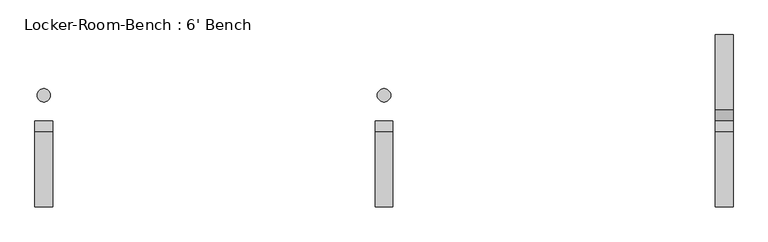
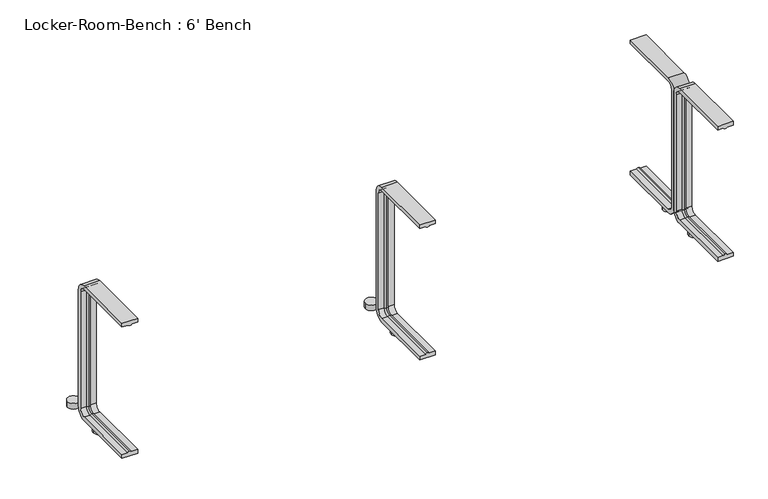
"""IFC4 building model written with IfcOpenShell, lengths in millimetres: proxy geometry, Locker-Room-Bench : 6' Bench."""

from ifc_helpers import new_model, si_unit, point, frame, frame_2d, origin, origin_with_axes, place, context, project, spatial, polyline, circle_curve, ellipse_curve, trimmed, segment, composite_curve, outline, extrude, source, transform, mapped, element, save
from ifc_brep_helpers import plane_surface, cylinder_surface, revolved_surface, advanced_brep


def locker_room_bench_6_bench_313e09f8(model_context):
    return source(origin(), model_context, "Body", "SolidModel", [
        extrude(outline(composite_curve([segment(trimmed(circle_curve(frame_2d((764.4, 57.5)), 15.0), [point((749.4, 57.5))], [point((779.4, 57.5))], False, "CARTESIAN"), True, "CONTINUOUS"), segment(trimmed(circle_curve(frame_2d((764.4, 57.5)), 15.0), [point((779.4, 57.5))], [point((749.4, 57.5))], False, "CARTESIAN"), True, "CONTINUOUS")], self_intersect=False)), origin_with_axes(), (0.0, 0.0, 1.0), 15.0),
        extrude(outline(composite_curve([segment(trimmed(circle_curve(frame_2d((764.4, -57.5)), 15.0), [point((749.4, -57.5))], [point((779.4, -57.5))], False, "CARTESIAN"), True, "CONTINUOUS"), segment(trimmed(circle_curve(frame_2d((764.4, -57.5)), 15.0), [point((779.4, -57.5))], [point((749.4, -57.5))], False, "CARTESIAN"), True, "CONTINUOUS")], self_intersect=False)), origin_with_axes(), (0.0, 0.0, 1.0), 15.0),
        extrude(outline(composite_curve([segment(trimmed(circle_curve(frame_2d((0.0, 57.5)), 15.0), [point((-15.0, 57.5))], [point((15.0, 57.5))], False, "CARTESIAN"), True, "CONTINUOUS"), segment(trimmed(circle_curve(frame_2d((0.0, 57.5)), 15.0), [point((15.0, 57.5))], [point((-15.0, 57.5))], False, "CARTESIAN"), True, "CONTINUOUS")], self_intersect=False)), origin_with_axes(), (0.0, 0.0, 1.0), 15.0),
        extrude(outline(composite_curve([segment(trimmed(circle_curve(frame_2d((0.0, -57.5)), 15.0), [point((-15.0, -57.5))], [point((15.0, -57.5))], False, "CARTESIAN"), True, "CONTINUOUS"), segment(trimmed(circle_curve(frame_2d((0.0, -57.5)), 15.0), [point((15.0, -57.5))], [point((-15.0, -57.5))], False, "CARTESIAN"), True, "CONTINUOUS")], self_intersect=False)), origin_with_axes(), (0.0, 0.0, 1.0), 15.0),
        extrude(outline(composite_curve([segment(trimmed(circle_curve(frame_2d((-764.4, 57.5)), 15.0), [point((-779.4, 57.5))], [point((-749.4, 57.5))], False, "CARTESIAN"), True, "CONTINUOUS"), segment(trimmed(circle_curve(frame_2d((-764.4, 57.5)), 15.0), [point((-749.4, 57.5))], [point((-779.4, 57.5))], False, "CARTESIAN"), True, "CONTINUOUS")], self_intersect=False)), origin_with_axes(), (0.0, 0.0, 1.0), 15.0),
        extrude(outline(composite_curve([segment(trimmed(circle_curve(frame_2d((-764.4, -57.5)), 15.0), [point((-779.4, -57.5))], [point((-749.4, -57.5))], False, "CARTESIAN"), True, "CONTINUOUS"), segment(trimmed(circle_curve(frame_2d((-764.4, -57.5)), 15.0), [point((-749.4, -57.5))], [point((-779.4, -57.5))], False, "CARTESIAN"), True, "CONTINUOUS")], self_intersect=False)), origin_with_axes(), (0.0, 0.0, 1.0), 15.0),
        advanced_brep(
        [(784.4, -193.6, 381.4), (744.4, -193.6, 381.4), (744.4, -193.6, 371.4), (759.4, -193.6, 371.4), (764.4, -193.6, 369.0684617), (769.4, -193.6, 371.4), (784.4, -193.6, 371.4), (784.4, -25.0, 371.4), (784.4, -10.0, 356.4), (784.4, -10.0, 40.0), (784.4, -25.0, 25.0), (784.4, -193.6, 25.0), (784.4, -193.6, 15.0), (784.4, -25.0, 15.0), (784.4, 0.0, 40.0), (784.4, 0.0, 356.4), (784.4, -25.0, 381.4), (769.4, -25.0, 371.4), (764.4, -25.0, 369.0684617), (759.4, -25.0, 371.4), (744.4, -25.0, 371.4), (744.4, -25.0, 381.4), (744.4, 0.0, 356.4), (744.4, 0.0, 40.0), (744.4, -25.0, 15.0), (744.4, -193.6, 15.0), (744.4, -193.6, 25.0), (744.4, -25.0, 25.0), (744.4, -10.0, 40.0), (744.4, -10.0, 356.4), (769.4, -10.0, 356.4), (764.4, -12.3315383, 356.4), (759.4, -10.0, 356.4), (769.4, -10.0, 40.0), (764.4, -12.3315383, 40.0), (759.4, -10.0, 40.0), (769.4, -25.0, 25.0), (764.4, -25.0, 27.3315383), (759.4, -25.0, 25.0), (769.4, -193.6, 25.0), (764.4, -193.6, 27.3315383), (759.4, -193.6, 25.0)],
        [
            (0, 1),
            (1, 2),
            (2, 3),
            (3, 4, circle_curve(frame((764.1003591, -193.6, 374.9529162), z_axis=(0.0, -1.0, 0.0), x_axis=(0.0, 0.0, -1.0)), 5.8920785)),
            (4, 5, circle_curve(frame((764.6996409, -193.6, 374.9529162), z_axis=(0.0, -1.0, 0.0), x_axis=(0.0, 0.0, -1.0)), 5.8920785)),
            (5, 6),
            (6, 0),
            (6, 7),
            (7, 8, circle_curve(frame((784.4, -25.0, 356.4), z_axis=(-1.0, 0.0, 0.0), x_axis=(0.0, 0.0, 1.0)), 15.0)),
            (8, 9),
            (9, 10, circle_curve(frame((784.4, -25.0, 40.0), z_axis=(-1.0, 0.0, 0.0), x_axis=(0.0, 1.0, 0.0)), 15.0)),
            (10, 11),
            (11, 12),
            (12, 13),
            (13, 14, circle_curve(frame((784.4, -25.0, 40.0), z_axis=(1.0, 0.0, 0.0), x_axis=(0.0, 1.0, 0.0)), 25.0)),
            (14, 15),
            (15, 16, circle_curve(frame((784.4, -25.0, 356.4), z_axis=(1.0, 0.0, 0.0), x_axis=(0.0, 0.0, 1.0)), 25.0)),
            (16, 0),
            (5, 17),
            (17, 7),
            (4, 18),
            (18, 17, circle_curve(frame((764.6996409, -25.0, 374.9529162), z_axis=(0.0, -1.0, 0.0), x_axis=(0.0, 0.0, -1.0)), 5.8920785)),
            (3, 19),
            (19, 18, circle_curve(frame((764.1003591, -25.0, 374.9529162), z_axis=(0.0, -1.0, 0.0), x_axis=(0.0, 0.0, -1.0)), 5.8920785)),
            (2, 20),
            (20, 19),
            (1, 21),
            (21, 22, circle_curve(frame((744.4, -25.0, 356.4), z_axis=(-1.0, 0.0, 0.0), x_axis=(0.0, 0.0, 1.0)), 25.0)),
            (22, 23),
            (23, 24, circle_curve(frame((744.4, -25.0, 40.0), z_axis=(-1.0, 0.0, 0.0), x_axis=(0.0, 1.0, 0.0)), 25.0)),
            (24, 25),
            (25, 26),
            (26, 27),
            (27, 28, circle_curve(frame((744.4, -25.0, 40.0), z_axis=(1.0, 0.0, 0.0), x_axis=(0.0, 1.0, 0.0)), 15.0)),
            (28, 29),
            (29, 20, circle_curve(frame((744.4, -25.0, 356.4), z_axis=(1.0, 0.0, 0.0), x_axis=(0.0, 0.0, 1.0)), 15.0)),
            (16, 21),
            (30, 8),
            (17, 30, circle_curve(frame((769.4, -25.0, 356.4), z_axis=(-1.0, 0.0, 0.0), x_axis=(0.0, 0.0, 1.0)), 15.0)),
            (31, 30, circle_curve(frame((764.6996409, -6.4470838, 356.4), z_axis=(0.0, 0.0, 1.0), x_axis=(0.0, -1.0, 0.0)), 5.8920785)),
            (18, 31, circle_curve(frame((764.4, -25.0, 356.4), z_axis=(-1.0, 0.0, 0.0), x_axis=(0.0, 0.0, 1.0)), 12.6684617)),
            (32, 31, circle_curve(frame((764.1003591, -6.4470838, 356.4), z_axis=(0.0, 0.0, 1.0), x_axis=(0.0, -1.0, 0.0)), 5.8920785)),
            (19, 32, circle_curve(frame((759.4, -25.0, 356.4), z_axis=(-1.0, 0.0, 0.0), x_axis=(0.0, 0.0, 1.0)), 15.0)),
            (29, 32),
            (15, 22),
            (30, 33),
            (33, 9),
            (31, 34),
            (34, 33, circle_curve(frame((764.6996409, -6.4470838, 40.0), z_axis=(0.0, 0.0, 1.0), x_axis=(0.0, -1.0, 0.0)), 5.8920785)),
            (32, 35),
            (35, 34, circle_curve(frame((764.1003591, -6.4470838, 40.0), z_axis=(0.0, 0.0, 1.0), x_axis=(0.0, -1.0, 0.0)), 5.8920785)),
            (28, 35),
            (14, 23),
            (36, 10),
            (33, 36, circle_curve(frame((769.4, -25.0, 40.0), z_axis=(-1.0, 0.0, 0.0), x_axis=(0.0, 1.0, 0.0)), 15.0)),
            (37, 36, circle_curve(frame((764.6996409, -25.0, 21.4470838), z_axis=(0.0, 1.0, 0.0), x_axis=(0.0, 0.0, 1.0)), 5.8920785)),
            (34, 37, circle_curve(frame((764.4, -25.0, 40.0), z_axis=(-1.0, 0.0, 0.0), x_axis=(0.0, 1.0, 0.0)), 12.6684617)),
            (38, 37, circle_curve(frame((764.1003591, -25.0, 21.4470838), z_axis=(0.0, 1.0, 0.0), x_axis=(0.0, 0.0, 1.0)), 5.8920785)),
            (35, 38, circle_curve(frame((759.4, -25.0, 40.0), z_axis=(-1.0, 0.0, 0.0), x_axis=(0.0, 1.0, 0.0)), 15.0)),
            (27, 38),
            (13, 24),
            (11, 39),
            (39, 40, circle_curve(frame((764.6996409, -193.6, 21.4470838), z_axis=(0.0, -1.0, 0.0), x_axis=(0.0, 0.0, 1.0)), 5.8920785)),
            (40, 41, circle_curve(frame((764.1003591, -193.6, 21.4470838), z_axis=(0.0, -1.0, 0.0), x_axis=(0.0, 0.0, 1.0)), 5.8920785)),
            (41, 26),
            (25, 12),
            (36, 39),
            (37, 40),
            (38, 41),
        ],
        [
            plane_surface(frame((764.4, -193.6, 381.4), z_axis=(0.0, -1.0, 0.0), x_axis=(1.0, 0.0, 0.0))),
            plane_surface(frame((784.4, -193.6, 381.4), z_axis=(1.0, 0.0, 0.0), x_axis=(0.0, 1.0, 0.0))),
            plane_surface(frame((784.4, -193.6, 371.4), z_axis=(0.0, 0.0, -1.0), x_axis=(0.0, 1.0, 0.0))),
            cylinder_surface(frame((764.6996409, -193.6, 374.9529162), z_axis=(0.0, -1.0, 0.0), x_axis=(0.0, 0.0, -1.0)), 5.8920785),
            cylinder_surface(frame((764.1003591, -193.6, 374.9529162), z_axis=(0.0, -1.0, 0.0), x_axis=(0.0, 0.0, -1.0)), 5.8920785),
            plane_surface(frame((759.4, -193.6, 371.4), z_axis=(0.0, 0.0, -1.0), x_axis=(0.0, 1.0, 0.0))),
            plane_surface(frame((744.4, -193.6, 371.4), z_axis=(-1.0, 0.0, 0.0), x_axis=(0.0, 1.0, 0.0))),
            plane_surface(frame((744.4, -193.6, 381.4), z_axis=(0.0, 0.0, 1.0), x_axis=(0.0, 1.0, 0.0))),
            revolved_surface(polyline([(784.4, -25.0, 371.4), (769.4, -25.0, 371.4)]), (764.4, -25.0, 356.4), (1.0, 0.0, 0.0)),
            revolved_surface(trimmed(ellipse_curve(frame((764.6996409, -25.0, 374.9529162), z_axis=(0.0, 1.0, 0.0), x_axis=(0.0, 0.0, -1.0)), 5.8920785, 5.8920785), [point((769.4, -25.0, 371.4))], [point((764.4, -25.0, 369.0684617))], True, "CARTESIAN"), (764.4, -25.0, 356.4), (1.0, 0.0, 0.0)),
            revolved_surface(trimmed(ellipse_curve(frame((764.1003591, -25.0, 374.9529162), z_axis=(0.0, 1.0, 0.0), x_axis=(0.0, 0.0, -1.0)), 5.8920785, 5.8920785), [point((764.4, -25.0, 369.0684617))], [point((759.4, -25.0, 371.4))], True, "CARTESIAN"), (764.4, -25.0, 356.4), (1.0, 0.0, 0.0)),
            revolved_surface(polyline([(759.4, -25.0, 371.4), (744.4, -25.0, 371.4)]), (764.4, -25.0, 356.4), (1.0, 0.0, 0.0)),
            cylinder_surface(frame((764.4, -25.0, 356.4), z_axis=(1.0, 0.0, 0.0), x_axis=(0.0, 0.0, 1.0)), 25.0),
            plane_surface(frame((784.4, -10.0, 356.4), z_axis=(0.0, -1.0, 0.0), x_axis=(0.0, 0.0, -1.0))),
            cylinder_surface(frame((764.6996409, -6.4470838, 356.4), z_axis=(0.0, 0.0, 1.0), x_axis=(0.0, -1.0, 0.0)), 5.8920785),
            cylinder_surface(frame((764.1003591, -6.4470838, 356.4), z_axis=(0.0, 0.0, 1.0), x_axis=(0.0, -1.0, 0.0)), 5.8920785),
            plane_surface(frame((759.4, -10.0, 356.4), z_axis=(0.0, -1.0, 0.0), x_axis=(0.0, 0.0, -1.0))),
            plane_surface(frame((744.4, 0.0, 356.4), z_axis=(0.0, 1.0, 0.0), x_axis=(0.0, 0.0, -1.0))),
            revolved_surface(polyline([(784.4, -10.0, 40.0), (769.4, -10.0, 40.0)]), (764.4, -25.0, 40.0), (1.0, 0.0, 0.0)),
            revolved_surface(trimmed(ellipse_curve(frame((764.6996409, -6.4470838, 40.0), z_axis=(0.0, 0.0, -1.0), x_axis=(0.0, -1.0, 0.0)), 5.8920785, 5.8920785), [point((769.4, -10.0, 40.0))], [point((764.4, -12.3315383, 40.0))], True, "CARTESIAN"), (764.4, -25.0, 40.0), (1.0, 0.0, 0.0)),
            revolved_surface(trimmed(ellipse_curve(frame((764.1003591, -6.4470838, 40.0), z_axis=(0.0, 0.0, -1.0), x_axis=(0.0, -1.0, 0.0)), 5.8920785, 5.8920785), [point((764.4, -12.3315383, 40.0))], [point((759.4, -10.0, 40.0))], True, "CARTESIAN"), (764.4, -25.0, 40.0), (1.0, 0.0, 0.0)),
            revolved_surface(polyline([(759.4, -10.0, 40.0), (744.4, -10.0, 40.0)]), (764.4, -25.0, 40.0), (1.0, 0.0, 0.0)),
            cylinder_surface(frame((764.4, -25.0, 40.0), z_axis=(1.0, 0.0, 0.0), x_axis=(0.0, 1.0, 0.0)), 25.0),
            plane_surface(frame((764.4, -193.6, 15.0), z_axis=(0.0, -1.0, 0.0), x_axis=(1.0, 0.0, 0.0))),
            plane_surface(frame((784.4, -25.0, 25.0), z_axis=(0.0, 0.0, 1.0), x_axis=(0.0, -1.0, 0.0))),
            cylinder_surface(frame((764.6996409, -25.0, 21.4470838), z_axis=(0.0, 1.0, 0.0), x_axis=(0.0, 0.0, 1.0)), 5.8920785),
            cylinder_surface(frame((764.1003591, -25.0, 21.4470838), z_axis=(0.0, 1.0, 0.0), x_axis=(0.0, 0.0, 1.0)), 5.8920785),
            plane_surface(frame((759.4, -25.0, 25.0), z_axis=(0.0, 0.0, 1.0), x_axis=(0.0, -1.0, 0.0))),
            plane_surface(frame((744.4, -25.0, 15.0), z_axis=(0.0, 0.0, -1.0), x_axis=(0.0, -1.0, 0.0))),
        ],
        [
            (0, [[1, 2, 3, 4, 5, 6, 7]]),
            (1, [[8, 9, 10, 11, 12, 13, 14, 15, 16, 17, 18, -7]]),
            (2, [[19, 20, -8, -6]]),
            (3, [[21, 22, -19, -5]]),
            (4, [[23, 24, -21, -4]]),
            (5, [[25, 26, -23, -3]]),
            (6, [[27, 28, 29, 30, 31, 32, 33, 34, 35, 36, -25, -2]]),
            (7, [[-18, 37, -27, -1]]),
            (8, [[38, -9, -20, 39]]),
            (9, [[40, -39, -22, 41]]),
            (10, [[42, -41, -24, 43]]),
            (11, [[44, -43, -26, -36]]),
            (12, [[45, -28, -37, -17]]),
            (13, [[46, 47, -10, -38]]),
            (14, [[48, 49, -46, -40]]),
            (15, [[50, 51, -48, -42]]),
            (16, [[-35, 52, -50, -44]]),
            (17, [[-16, 53, -29, -45]]),
            (18, [[54, -11, -47, 55]]),
            (19, [[56, -55, -49, 57]]),
            (20, [[58, -57, -51, 59]]),
            (21, [[60, -59, -52, -34]]),
            (22, [[61, -30, -53, -15]]),
            (23, [[-13, 62, 63, 64, 65, -32, 66]]),
            (24, [[67, -62, -12, -54]]),
            (25, [[68, -63, -67, -56]]),
            (26, [[69, -64, -68, -58]]),
            (27, [[-33, -65, -69, -60]]),
            (28, [[-14, -66, -31, -61]]),
        ],
    ),
        advanced_brep(
        [(20.0, -193.6, 381.4), (-20.0, -193.6, 381.4), (-20.0, -193.6, 371.4), (-5.0, -193.6, 371.4), (0.0, -193.6, 369.0684617), (5.0, -193.6, 371.4), (20.0, -193.6, 371.4), (20.0, -25.0, 371.4), (20.0, -10.0, 356.4), (20.0, -10.0, 40.0), (20.0, -25.0, 25.0), (20.0, -193.6, 25.0), (20.0, -193.6, 15.0), (20.0, -25.0, 15.0), (20.0, 0.0, 40.0), (20.0, 0.0, 356.4), (20.0, -25.0, 381.4), (5.0, -25.0, 371.4), (0.0, -25.0, 369.0684617), (-5.0, -25.0, 371.4), (-20.0, -25.0, 371.4), (-20.0, -25.0, 381.4), (-20.0, 0.0, 356.4), (-20.0, 0.0, 40.0), (-20.0, -25.0, 15.0), (-20.0, -193.6, 15.0), (-20.0, -193.6, 25.0), (-20.0, -25.0, 25.0), (-20.0, -10.0, 40.0), (-20.0, -10.0, 356.4), (5.0, -10.0, 356.4), (0.0, -12.3315383, 356.4), (-5.0, -10.0, 356.4), (5.0, -10.0, 40.0), (0.0, -12.3315383, 40.0), (-5.0, -10.0, 40.0), (5.0, -25.0, 25.0), (0.0, -25.0, 27.3315383), (-5.0, -25.0, 25.0), (5.0, -193.6, 25.0), (0.0, -193.6, 27.3315383), (-5.0, -193.6, 25.0)],
        [
            (0, 1),
            (1, 2),
            (2, 3),
            (3, 4, circle_curve(frame((-0.2996409, -193.6, 374.9529162), z_axis=(0.0, -1.0, 0.0), x_axis=(0.0, 0.0, -1.0)), 5.8920785)),
            (4, 5, circle_curve(frame((0.2996409, -193.6, 374.9529162), z_axis=(0.0, -1.0, 0.0), x_axis=(0.0, 0.0, -1.0)), 5.8920785)),
            (5, 6),
            (6, 0),
            (6, 7),
            (7, 8, circle_curve(frame((20.0, -25.0, 356.4), z_axis=(-1.0, 0.0, 0.0), x_axis=(0.0, 0.0, 1.0)), 15.0)),
            (8, 9),
            (9, 10, circle_curve(frame((20.0, -25.0, 40.0), z_axis=(-1.0, 0.0, 0.0), x_axis=(0.0, 1.0, 0.0)), 15.0)),
            (10, 11),
            (11, 12),
            (12, 13),
            (13, 14, circle_curve(frame((20.0, -25.0, 40.0), z_axis=(1.0, 0.0, 0.0), x_axis=(0.0, 1.0, 0.0)), 25.0)),
            (14, 15),
            (15, 16, circle_curve(frame((20.0, -25.0, 356.4), z_axis=(1.0, 0.0, 0.0), x_axis=(0.0, 0.0, 1.0)), 25.0)),
            (16, 0),
            (5, 17),
            (17, 7),
            (4, 18),
            (18, 17, circle_curve(frame((0.2996409, -25.0, 374.9529162), z_axis=(0.0, -1.0, 0.0), x_axis=(0.0, 0.0, -1.0)), 5.8920785)),
            (3, 19),
            (19, 18, circle_curve(frame((-0.2996409, -25.0, 374.9529162), z_axis=(0.0, -1.0, 0.0), x_axis=(0.0, 0.0, -1.0)), 5.8920785)),
            (2, 20),
            (20, 19),
            (1, 21),
            (21, 22, circle_curve(frame((-20.0, -25.0, 356.4), z_axis=(-1.0, 0.0, 0.0), x_axis=(0.0, 0.0, 1.0)), 25.0)),
            (22, 23),
            (23, 24, circle_curve(frame((-20.0, -25.0, 40.0), z_axis=(-1.0, 0.0, 0.0), x_axis=(0.0, 1.0, 0.0)), 25.0)),
            (24, 25),
            (25, 26),
            (26, 27),
            (27, 28, circle_curve(frame((-20.0, -25.0, 40.0), z_axis=(1.0, 0.0, 0.0), x_axis=(0.0, 1.0, 0.0)), 15.0)),
            (28, 29),
            (29, 20, circle_curve(frame((-20.0, -25.0, 356.4), z_axis=(1.0, 0.0, 0.0), x_axis=(0.0, 0.0, 1.0)), 15.0)),
            (16, 21),
            (30, 8),
            (17, 30, circle_curve(frame((5.0, -25.0, 356.4), z_axis=(-1.0, 0.0, 0.0), x_axis=(0.0, 0.0, 1.0)), 15.0)),
            (31, 30, circle_curve(frame((0.2996409, -6.4470838, 356.4), z_axis=(0.0, 0.0, 1.0), x_axis=(0.0, -1.0, 0.0)), 5.8920785)),
            (18, 31, circle_curve(frame((0.0, -25.0, 356.4), z_axis=(-1.0, 0.0, 0.0), x_axis=(0.0, 0.0, 1.0)), 12.6684617)),
            (32, 31, circle_curve(frame((-0.2996409, -6.4470838, 356.4), z_axis=(0.0, 0.0, 1.0), x_axis=(0.0, -1.0, 0.0)), 5.8920785)),
            (19, 32, circle_curve(frame((-5.0, -25.0, 356.4), z_axis=(-1.0, 0.0, 0.0), x_axis=(0.0, 0.0, 1.0)), 15.0)),
            (29, 32),
            (15, 22),
            (30, 33),
            (33, 9),
            (31, 34),
            (34, 33, circle_curve(frame((0.2996409, -6.4470838, 40.0), z_axis=(0.0, 0.0, 1.0), x_axis=(0.0, -1.0, 0.0)), 5.8920785)),
            (32, 35),
            (35, 34, circle_curve(frame((-0.2996409, -6.4470838, 40.0), z_axis=(0.0, 0.0, 1.0), x_axis=(0.0, -1.0, 0.0)), 5.8920785)),
            (28, 35),
            (14, 23),
            (36, 10),
            (33, 36, circle_curve(frame((5.0, -25.0, 40.0), z_axis=(-1.0, 0.0, 0.0), x_axis=(0.0, 1.0, 0.0)), 15.0)),
            (37, 36, circle_curve(frame((0.2996409, -25.0, 21.4470838), z_axis=(0.0, 1.0, 0.0), x_axis=(0.0, 0.0, 1.0)), 5.8920785)),
            (34, 37, circle_curve(frame((0.0, -25.0, 40.0), z_axis=(-1.0, 0.0, 0.0), x_axis=(0.0, 1.0, 0.0)), 12.6684617)),
            (38, 37, circle_curve(frame((-0.2996409, -25.0, 21.4470838), z_axis=(0.0, 1.0, 0.0), x_axis=(0.0, 0.0, 1.0)), 5.8920785)),
            (35, 38, circle_curve(frame((-5.0, -25.0, 40.0), z_axis=(-1.0, 0.0, 0.0), x_axis=(0.0, 1.0, 0.0)), 15.0)),
            (27, 38),
            (13, 24),
            (11, 39),
            (39, 40, circle_curve(frame((0.2996409, -193.6, 21.4470838), z_axis=(0.0, -1.0, 0.0), x_axis=(0.0, 0.0, 1.0)), 5.8920785)),
            (40, 41, circle_curve(frame((-0.2996409, -193.6, 21.4470838), z_axis=(0.0, -1.0, 0.0), x_axis=(0.0, 0.0, 1.0)), 5.8920785)),
            (41, 26),
            (25, 12),
            (36, 39),
            (37, 40),
            (38, 41),
        ],
        [
            plane_surface(frame((0.0, -193.6, 381.4), z_axis=(0.0, -1.0, 0.0), x_axis=(1.0, 0.0, 0.0))),
            plane_surface(frame((20.0, -193.6, 381.4), z_axis=(1.0, 0.0, 0.0), x_axis=(0.0, 1.0, 0.0))),
            plane_surface(frame((20.0, -193.6, 371.4), z_axis=(0.0, 0.0, -1.0), x_axis=(0.0, 1.0, 0.0))),
            cylinder_surface(frame((0.2996409, -193.6, 374.9529162), z_axis=(0.0, -1.0, 0.0), x_axis=(0.0, 0.0, -1.0)), 5.8920785),
            cylinder_surface(frame((-0.2996409, -193.6, 374.9529162), z_axis=(0.0, -1.0, 0.0), x_axis=(0.0, 0.0, -1.0)), 5.8920785),
            plane_surface(frame((-5.0, -193.6, 371.4), z_axis=(0.0, 0.0, -1.0), x_axis=(0.0, 1.0, 0.0))),
            plane_surface(frame((-20.0, -193.6, 371.4), z_axis=(-1.0, 0.0, 0.0), x_axis=(0.0, 1.0, 0.0))),
            plane_surface(frame((-20.0, -193.6, 381.4), z_axis=(0.0, 0.0, 1.0), x_axis=(0.0, 1.0, 0.0))),
            revolved_surface(polyline([(20.0, -25.0, 371.4), (5.0, -25.0, 371.4)]), (0.0, -25.0, 356.4), (1.0, 0.0, 0.0)),
            revolved_surface(trimmed(ellipse_curve(frame((0.2996409, -25.0, 374.9529162), z_axis=(0.0, 1.0, 0.0), x_axis=(0.0, 0.0, -1.0)), 5.8920785, 5.8920785), [point((5.0, -25.0, 371.4))], [point((0.0, -25.0, 369.0684617))], True, "CARTESIAN"), (0.0, -25.0, 356.4), (1.0, 0.0, 0.0)),
            revolved_surface(trimmed(ellipse_curve(frame((-0.2996409, -25.0, 374.9529162), z_axis=(0.0, 1.0, 0.0), x_axis=(0.0, 0.0, -1.0)), 5.8920785, 5.8920785), [point((0.0, -25.0, 369.0684617))], [point((-5.0, -25.0, 371.4))], True, "CARTESIAN"), (0.0, -25.0, 356.4), (1.0, 0.0, 0.0)),
            revolved_surface(polyline([(-5.0, -25.0, 371.4), (-20.0, -25.0, 371.4)]), (0.0, -25.0, 356.4), (1.0, 0.0, 0.0)),
            cylinder_surface(frame((0.0, -25.0, 356.4), z_axis=(1.0, 0.0, 0.0), x_axis=(0.0, 0.0, 1.0)), 25.0),
            plane_surface(frame((20.0, -10.0, 356.4), z_axis=(0.0, -1.0, 0.0), x_axis=(0.0, 0.0, -1.0))),
            cylinder_surface(frame((0.2996409, -6.4470838, 356.4), z_axis=(0.0, 0.0, 1.0), x_axis=(0.0, -1.0, 0.0)), 5.8920785),
            cylinder_surface(frame((-0.2996409, -6.4470838, 356.4), z_axis=(0.0, 0.0, 1.0), x_axis=(0.0, -1.0, 0.0)), 5.8920785),
            plane_surface(frame((-5.0, -10.0, 356.4), z_axis=(0.0, -1.0, 0.0), x_axis=(0.0, 0.0, -1.0))),
            plane_surface(frame((-20.0, 0.0, 356.4), z_axis=(0.0, 1.0, 0.0), x_axis=(0.0, 0.0, -1.0))),
            revolved_surface(polyline([(20.0, -10.0, 40.0), (5.0, -10.0, 40.0)]), (0.0, -25.0, 40.0), (1.0, 0.0, 0.0)),
            revolved_surface(trimmed(ellipse_curve(frame((0.2996409, -6.4470838, 40.0), z_axis=(0.0, 0.0, -1.0), x_axis=(0.0, -1.0, 0.0)), 5.8920785, 5.8920785), [point((5.0, -10.0, 40.0))], [point((0.0, -12.3315383, 40.0))], True, "CARTESIAN"), (0.0, -25.0, 40.0), (1.0, 0.0, 0.0)),
            revolved_surface(trimmed(ellipse_curve(frame((-0.2996409, -6.4470838, 40.0), z_axis=(0.0, 0.0, -1.0), x_axis=(0.0, -1.0, 0.0)), 5.8920785, 5.8920785), [point((0.0, -12.3315383, 40.0))], [point((-5.0, -10.0, 40.0))], True, "CARTESIAN"), (0.0, -25.0, 40.0), (1.0, 0.0, 0.0)),
            revolved_surface(polyline([(-5.0, -10.0, 40.0), (-20.0, -10.0, 40.0)]), (0.0, -25.0, 40.0), (1.0, 0.0, 0.0)),
            cylinder_surface(frame((0.0, -25.0, 40.0), z_axis=(1.0, 0.0, 0.0), x_axis=(0.0, 1.0, 0.0)), 25.0),
            plane_surface(frame((0.0, -193.6, 15.0), z_axis=(0.0, -1.0, 0.0), x_axis=(1.0, 0.0, 0.0))),
            plane_surface(frame((20.0, -25.0, 25.0), z_axis=(0.0, 0.0, 1.0), x_axis=(0.0, -1.0, 0.0))),
            cylinder_surface(frame((0.2996409, -25.0, 21.4470838), z_axis=(0.0, 1.0, 0.0), x_axis=(0.0, 0.0, 1.0)), 5.8920785),
            cylinder_surface(frame((-0.2996409, -25.0, 21.4470838), z_axis=(0.0, 1.0, 0.0), x_axis=(0.0, 0.0, 1.0)), 5.8920785),
            plane_surface(frame((-5.0, -25.0, 25.0), z_axis=(0.0, 0.0, 1.0), x_axis=(0.0, -1.0, 0.0))),
            plane_surface(frame((-20.0, -25.0, 15.0), z_axis=(0.0, 0.0, -1.0), x_axis=(0.0, -1.0, 0.0))),
        ],
        [
            (0, [[1, 2, 3, 4, 5, 6, 7]]),
            (1, [[8, 9, 10, 11, 12, 13, 14, 15, 16, 17, 18, -7]]),
            (2, [[19, 20, -8, -6]]),
            (3, [[21, 22, -19, -5]]),
            (4, [[23, 24, -21, -4]]),
            (5, [[25, 26, -23, -3]]),
            (6, [[27, 28, 29, 30, 31, 32, 33, 34, 35, 36, -25, -2]]),
            (7, [[-18, 37, -27, -1]]),
            (8, [[38, -9, -20, 39]]),
            (9, [[40, -39, -22, 41]]),
            (10, [[42, -41, -24, 43]]),
            (11, [[44, -43, -26, -36]]),
            (12, [[45, -28, -37, -17]]),
            (13, [[46, 47, -10, -38]]),
            (14, [[48, 49, -46, -40]]),
            (15, [[50, 51, -48, -42]]),
            (16, [[-35, 52, -50, -44]]),
            (17, [[-16, 53, -29, -45]]),
            (18, [[54, -11, -47, 55]]),
            (19, [[56, -55, -49, 57]]),
            (20, [[58, -57, -51, 59]]),
            (21, [[60, -59, -52, -34]]),
            (22, [[61, -30, -53, -15]]),
            (23, [[-13, 62, 63, 64, 65, -32, 66]]),
            (24, [[67, -62, -12, -54]]),
            (25, [[68, -63, -67, -56]]),
            (26, [[69, -64, -68, -58]]),
            (27, [[-33, -65, -69, -60]]),
            (28, [[-14, -66, -31, -61]]),
        ],
    ),
        advanced_brep(
        [(-744.4, -193.6, 381.4), (-784.4, -193.6, 381.4), (-784.4, -193.6, 371.4), (-769.4, -193.6, 371.4), (-764.4, -193.6, 369.0684617), (-759.4, -193.6, 371.4), (-744.4, -193.6, 371.4), (-744.4, -25.0, 371.4), (-744.4, -10.0, 356.4), (-744.4, -10.0, 40.0), (-744.4, -25.0, 25.0), (-744.4, -193.6, 25.0), (-744.4, -193.6, 15.0), (-744.4, -25.0, 15.0), (-744.4, 0.0, 40.0), (-744.4, 0.0, 356.4), (-744.4, -25.0, 381.4), (-759.4, -25.0, 371.4), (-764.4, -25.0, 369.0684617), (-769.4, -25.0, 371.4), (-784.4, -25.0, 371.4), (-784.4, -25.0, 381.4), (-784.4, 0.0, 356.4), (-784.4, 0.0, 40.0), (-784.4, -25.0, 15.0), (-784.4, -193.6, 15.0), (-784.4, -193.6, 25.0), (-784.4, -25.0, 25.0), (-784.4, -10.0, 40.0), (-784.4, -10.0, 356.4), (-759.4, -10.0, 356.4), (-764.4, -12.3315383, 356.4), (-769.4, -10.0, 356.4), (-759.4, -10.0, 40.0), (-764.4, -12.3315383, 40.0), (-769.4, -10.0, 40.0), (-759.4, -25.0, 25.0), (-764.4, -25.0, 27.3315383), (-769.4, -25.0, 25.0), (-759.4, -193.6, 25.0), (-764.4, -193.6, 27.3315383), (-769.4, -193.6, 25.0)],
        [
            (0, 1),
            (1, 2),
            (2, 3),
            (3, 4, circle_curve(frame((-764.6996409, -193.6, 374.9529162), z_axis=(0.0, -1.0, 0.0), x_axis=(0.0, 0.0, -1.0)), 5.8920785)),
            (4, 5, circle_curve(frame((-764.1003591, -193.6, 374.9529162), z_axis=(0.0, -1.0, 0.0), x_axis=(0.0, 0.0, -1.0)), 5.8920785)),
            (5, 6),
            (6, 0),
            (6, 7),
            (7, 8, circle_curve(frame((-744.4, -25.0, 356.4), z_axis=(-1.0, 0.0, 0.0), x_axis=(0.0, 0.0, 1.0)), 15.0)),
            (8, 9),
            (9, 10, circle_curve(frame((-744.4, -25.0, 40.0), z_axis=(-1.0, 0.0, 0.0), x_axis=(0.0, 1.0, 0.0)), 15.0)),
            (10, 11),
            (11, 12),
            (12, 13),
            (13, 14, circle_curve(frame((-744.4, -25.0, 40.0), z_axis=(1.0, 0.0, 0.0), x_axis=(0.0, 1.0, 0.0)), 25.0)),
            (14, 15),
            (15, 16, circle_curve(frame((-744.4, -25.0, 356.4), z_axis=(1.0, 0.0, 0.0), x_axis=(0.0, 0.0, 1.0)), 25.0)),
            (16, 0),
            (5, 17),
            (17, 7),
            (4, 18),
            (18, 17, circle_curve(frame((-764.1003591, -25.0, 374.9529162), z_axis=(0.0, -1.0, 0.0), x_axis=(0.0, 0.0, -1.0)), 5.8920785)),
            (3, 19),
            (19, 18, circle_curve(frame((-764.6996409, -25.0, 374.9529162), z_axis=(0.0, -1.0, 0.0), x_axis=(0.0, 0.0, -1.0)), 5.8920785)),
            (2, 20),
            (20, 19),
            (1, 21),
            (21, 22, circle_curve(frame((-784.4, -25.0, 356.4), z_axis=(-1.0, 0.0, 0.0), x_axis=(0.0, 0.0, 1.0)), 25.0)),
            (22, 23),
            (23, 24, circle_curve(frame((-784.4, -25.0, 40.0), z_axis=(-1.0, 0.0, 0.0), x_axis=(0.0, 1.0, 0.0)), 25.0)),
            (24, 25),
            (25, 26),
            (26, 27),
            (27, 28, circle_curve(frame((-784.4, -25.0, 40.0), z_axis=(1.0, 0.0, 0.0), x_axis=(0.0, 1.0, 0.0)), 15.0)),
            (28, 29),
            (29, 20, circle_curve(frame((-784.4, -25.0, 356.4), z_axis=(1.0, 0.0, 0.0), x_axis=(0.0, 0.0, 1.0)), 15.0)),
            (16, 21),
            (30, 8),
            (17, 30, circle_curve(frame((-759.4, -25.0, 356.4), z_axis=(-1.0, 0.0, 0.0), x_axis=(0.0, 0.0, 1.0)), 15.0)),
            (31, 30, circle_curve(frame((-764.1003591, -6.4470838, 356.4), z_axis=(0.0, 0.0, 1.0), x_axis=(0.0, -1.0, 0.0)), 5.8920785)),
            (18, 31, circle_curve(frame((-764.4, -25.0, 356.4), z_axis=(-1.0, 0.0, 0.0), x_axis=(0.0, 0.0, 1.0)), 12.6684617)),
            (32, 31, circle_curve(frame((-764.6996409, -6.4470838, 356.4), z_axis=(0.0, 0.0, 1.0), x_axis=(0.0, -1.0, 0.0)), 5.8920785)),
            (19, 32, circle_curve(frame((-769.4, -25.0, 356.4), z_axis=(-1.0, 0.0, 0.0), x_axis=(0.0, 0.0, 1.0)), 15.0)),
            (29, 32),
            (15, 22),
            (30, 33),
            (33, 9),
            (31, 34),
            (34, 33, circle_curve(frame((-764.1003591, -6.4470838, 40.0), z_axis=(0.0, 0.0, 1.0), x_axis=(0.0, -1.0, 0.0)), 5.8920785)),
            (32, 35),
            (35, 34, circle_curve(frame((-764.6996409, -6.4470838, 40.0), z_axis=(0.0, 0.0, 1.0), x_axis=(0.0, -1.0, 0.0)), 5.8920785)),
            (28, 35),
            (14, 23),
            (36, 10),
            (33, 36, circle_curve(frame((-759.4, -25.0, 40.0), z_axis=(-1.0, 0.0, 0.0), x_axis=(0.0, 1.0, 0.0)), 15.0)),
            (37, 36, circle_curve(frame((-764.1003591, -25.0, 21.4470838), z_axis=(0.0, 1.0, 0.0), x_axis=(0.0, 0.0, 1.0)), 5.8920785)),
            (34, 37, circle_curve(frame((-764.4, -25.0, 40.0), z_axis=(-1.0, 0.0, 0.0), x_axis=(0.0, 1.0, 0.0)), 12.6684617)),
            (38, 37, circle_curve(frame((-764.6996409, -25.0, 21.4470838), z_axis=(0.0, 1.0, 0.0), x_axis=(0.0, 0.0, 1.0)), 5.8920785)),
            (35, 38, circle_curve(frame((-769.4, -25.0, 40.0), z_axis=(-1.0, 0.0, 0.0), x_axis=(0.0, 1.0, 0.0)), 15.0)),
            (27, 38),
            (13, 24),
            (11, 39),
            (39, 40, circle_curve(frame((-764.1003591, -193.6, 21.4470838), z_axis=(0.0, -1.0, 0.0), x_axis=(0.0, 0.0, 1.0)), 5.8920785)),
            (40, 41, circle_curve(frame((-764.6996409, -193.6, 21.4470838), z_axis=(0.0, -1.0, 0.0), x_axis=(0.0, 0.0, 1.0)), 5.8920785)),
            (41, 26),
            (25, 12),
            (36, 39),
            (37, 40),
            (38, 41),
        ],
        [
            plane_surface(frame((-764.4, -193.6, 381.4), z_axis=(0.0, -1.0, 0.0), x_axis=(1.0, 0.0, 0.0))),
            plane_surface(frame((-744.4, -193.6, 381.4), z_axis=(1.0, 0.0, 0.0), x_axis=(0.0, 1.0, 0.0))),
            plane_surface(frame((-744.4, -193.6, 371.4), z_axis=(0.0, 0.0, -1.0), x_axis=(0.0, 1.0, 0.0))),
            cylinder_surface(frame((-764.1003591, -193.6, 374.9529162), z_axis=(0.0, -1.0, 0.0), x_axis=(0.0, 0.0, -1.0)), 5.8920785),
            cylinder_surface(frame((-764.6996409, -193.6, 374.9529162), z_axis=(0.0, -1.0, 0.0), x_axis=(0.0, 0.0, -1.0)), 5.8920785),
            plane_surface(frame((-769.4, -193.6, 371.4), z_axis=(0.0, 0.0, -1.0), x_axis=(0.0, 1.0, 0.0))),
            plane_surface(frame((-784.4, -193.6, 371.4), z_axis=(-1.0, 0.0, 0.0), x_axis=(0.0, 1.0, 0.0))),
            plane_surface(frame((-784.4, -193.6, 381.4), z_axis=(0.0, 0.0, 1.0), x_axis=(0.0, 1.0, 0.0))),
            revolved_surface(polyline([(-744.4, -25.0, 371.4), (-759.4, -25.0, 371.4)]), (-764.4, -25.0, 356.4), (1.0, 0.0, 0.0)),
            revolved_surface(trimmed(ellipse_curve(frame((-764.1003591, -25.0, 374.9529162), z_axis=(0.0, 1.0, 0.0), x_axis=(0.0, 0.0, -1.0)), 5.8920785, 5.8920785), [point((-759.4, -25.0, 371.4))], [point((-764.4, -25.0, 369.0684617))], True, "CARTESIAN"), (-764.4, -25.0, 356.4), (1.0, 0.0, 0.0)),
            revolved_surface(trimmed(ellipse_curve(frame((-764.6996409, -25.0, 374.9529162), z_axis=(0.0, 1.0, 0.0), x_axis=(0.0, 0.0, -1.0)), 5.8920785, 5.8920785), [point((-764.4, -25.0, 369.0684617))], [point((-769.4, -25.0, 371.4))], True, "CARTESIAN"), (-764.4, -25.0, 356.4), (1.0, 0.0, 0.0)),
            revolved_surface(polyline([(-769.4, -25.0, 371.4), (-784.4, -25.0, 371.4)]), (-764.4, -25.0, 356.4), (1.0, 0.0, 0.0)),
            cylinder_surface(frame((-764.4, -25.0, 356.4), z_axis=(1.0, 0.0, 0.0), x_axis=(0.0, 0.0, 1.0)), 25.0),
            plane_surface(frame((-744.4, -10.0, 356.4), z_axis=(0.0, -1.0, 0.0), x_axis=(0.0, 0.0, -1.0))),
            cylinder_surface(frame((-764.1003591, -6.4470838, 356.4), z_axis=(0.0, 0.0, 1.0), x_axis=(0.0, -1.0, 0.0)), 5.8920785),
            cylinder_surface(frame((-764.6996409, -6.4470838, 356.4), z_axis=(0.0, 0.0, 1.0), x_axis=(0.0, -1.0, 0.0)), 5.8920785),
            plane_surface(frame((-769.4, -10.0, 356.4), z_axis=(0.0, -1.0, 0.0), x_axis=(0.0, 0.0, -1.0))),
            plane_surface(frame((-784.4, 0.0, 356.4), z_axis=(0.0, 1.0, 0.0), x_axis=(0.0, 0.0, -1.0))),
            revolved_surface(polyline([(-744.4, -10.0, 40.0), (-759.4, -10.0, 40.0)]), (-764.4, -25.0, 40.0), (1.0, 0.0, 0.0)),
            revolved_surface(trimmed(ellipse_curve(frame((-764.1003591, -6.4470838, 40.0), z_axis=(0.0, 0.0, -1.0), x_axis=(0.0, -1.0, 0.0)), 5.8920785, 5.8920785), [point((-759.4, -10.0, 40.0))], [point((-764.4, -12.3315383, 40.0))], True, "CARTESIAN"), (-764.4, -25.0, 40.0), (1.0, 0.0, 0.0)),
            revolved_surface(trimmed(ellipse_curve(frame((-764.6996409, -6.4470838, 40.0), z_axis=(0.0, 0.0, -1.0), x_axis=(0.0, -1.0, 0.0)), 5.8920785, 5.8920785), [point((-764.4, -12.3315383, 40.0))], [point((-769.4, -10.0, 40.0))], True, "CARTESIAN"), (-764.4, -25.0, 40.0), (1.0, 0.0, 0.0)),
            revolved_surface(polyline([(-769.4, -10.0, 40.0), (-784.4, -10.0, 40.0)]), (-764.4, -25.0, 40.0), (1.0, 0.0, 0.0)),
            cylinder_surface(frame((-764.4, -25.0, 40.0), z_axis=(1.0, 0.0, 0.0), x_axis=(0.0, 1.0, 0.0)), 25.0),
            plane_surface(frame((-764.4, -193.6, 15.0), z_axis=(0.0, -1.0, 0.0), x_axis=(1.0, 0.0, 0.0))),
            plane_surface(frame((-744.4, -25.0, 25.0), z_axis=(0.0, 0.0, 1.0), x_axis=(0.0, -1.0, 0.0))),
            cylinder_surface(frame((-764.1003591, -25.0, 21.4470838), z_axis=(0.0, 1.0, 0.0), x_axis=(0.0, 0.0, 1.0)), 5.8920785),
            cylinder_surface(frame((-764.6996409, -25.0, 21.4470838), z_axis=(0.0, 1.0, 0.0), x_axis=(0.0, 0.0, 1.0)), 5.8920785),
            plane_surface(frame((-769.4, -25.0, 25.0), z_axis=(0.0, 0.0, 1.0), x_axis=(0.0, -1.0, 0.0))),
            plane_surface(frame((-784.4, -25.0, 15.0), z_axis=(0.0, 0.0, -1.0), x_axis=(0.0, -1.0, 0.0))),
        ],
        [
            (0, [[1, 2, 3, 4, 5, 6, 7]]),
            (1, [[8, 9, 10, 11, 12, 13, 14, 15, 16, 17, 18, -7]]),
            (2, [[19, 20, -8, -6]]),
            (3, [[21, 22, -19, -5]]),
            (4, [[23, 24, -21, -4]]),
            (5, [[25, 26, -23, -3]]),
            (6, [[27, 28, 29, 30, 31, 32, 33, 34, 35, 36, -25, -2]]),
            (7, [[-18, 37, -27, -1]]),
            (8, [[38, -9, -20, 39]]),
            (9, [[40, -39, -22, 41]]),
            (10, [[42, -41, -24, 43]]),
            (11, [[44, -43, -26, -36]]),
            (12, [[45, -28, -37, -17]]),
            (13, [[46, 47, -10, -38]]),
            (14, [[48, 49, -46, -40]]),
            (15, [[50, 51, -48, -42]]),
            (16, [[-35, 52, -50, -44]]),
            (17, [[-16, 53, -29, -45]]),
            (18, [[54, -11, -47, 55]]),
            (19, [[56, -55, -49, 57]]),
            (20, [[58, -57, -51, 59]]),
            (21, [[60, -59, -52, -34]]),
            (22, [[61, -30, -53, -15]]),
            (23, [[-13, 62, 63, 64, 65, -32, 66]]),
            (24, [[67, -62, -12, -54]]),
            (25, [[68, -63, -67, -56]]),
            (26, [[69, -64, -68, -58]]),
            (27, [[-33, -65, -69, -60]]),
            (28, [[-14, -66, -31, -61]]),
        ],
    ),
        advanced_brep(
        [(784.4, 193.6, 381.4), (784.4, 193.6, 371.4), (769.4, 193.6, 371.4), (764.4, 193.6, 369.0684617), (759.4, 193.6, 371.4), (744.4, 193.6, 371.4), (744.4, 193.6, 381.4), (744.4, 25.0, 381.4), (784.4, 25.0, 381.4), (744.4, 25.0, 371.4), (744.4, 10.0, 356.4), (744.4, 10.0, 40.0), (744.4, 25.0, 25.0), (744.4, 193.6, 25.0), (744.4, 193.6, 15.0), (744.4, 25.0, 15.0), (744.4, 0.0, 40.0), (744.4, 0.0, 356.4), (759.4, 25.0, 371.4), (764.4, 25.0, 369.0684617), (769.4, 25.0, 371.4), (784.4, 25.0, 371.4), (784.4, 0.0, 356.4), (784.4, 0.0, 40.0), (784.4, 25.0, 15.0), (784.4, 193.6, 15.0), (784.4, 193.6, 25.0), (784.4, 25.0, 25.0), (784.4, 10.0, 40.0), (784.4, 10.0, 356.4), (759.4, 10.0, 356.4), (764.4, 12.3315383, 356.4), (769.4, 10.0, 356.4), (759.4, 10.0, 40.0), (764.4, 12.3315383, 40.0), (769.4, 10.0, 40.0), (759.4, 25.0, 25.0), (764.4, 25.0, 27.3315383), (769.4, 25.0, 25.0), (759.4, 193.6, 25.0), (764.4, 193.6, 27.3315383), (769.4, 193.6, 25.0)],
        [
            (0, 1),
            (1, 2),
            (2, 3, circle_curve(frame((764.6996409, 193.6, 374.9529162), z_axis=(0.0, 1.0, 0.0), x_axis=(0.0, 0.0, 1.0)), 5.8920785)),
            (3, 4, circle_curve(frame((764.1003591, 193.6, 374.9529162), z_axis=(0.0, 1.0, 0.0), x_axis=(0.0, 0.0, 1.0)), 5.8920785)),
            (4, 5),
            (5, 6),
            (6, 0),
            (6, 7),
            (7, 8),
            (8, 0),
            (5, 9),
            (9, 10, circle_curve(frame((744.4, 25.0, 356.4), z_axis=(1.0, 0.0, 0.0), x_axis=(0.0, 0.0, 1.0)), 15.0)),
            (10, 11),
            (11, 12, circle_curve(frame((744.4, 25.0, 40.0), z_axis=(1.0, 0.0, 0.0), x_axis=(0.0, -1.0, 0.0)), 15.0)),
            (12, 13),
            (13, 14),
            (14, 15),
            (15, 16, circle_curve(frame((744.4, 25.0, 40.0), z_axis=(-1.0, 0.0, 0.0), x_axis=(0.0, -1.0, 0.0)), 25.0)),
            (16, 17),
            (17, 7, circle_curve(frame((744.4, 25.0, 356.4), z_axis=(-1.0, 0.0, 0.0), x_axis=(0.0, 0.0, 1.0)), 25.0)),
            (4, 18),
            (18, 9),
            (3, 19),
            (19, 18, circle_curve(frame((764.1003591, 25.0, 374.9529162), z_axis=(0.0, 1.0, 0.0), x_axis=(0.0, 0.0, 1.0)), 5.8920785)),
            (2, 20),
            (20, 19, circle_curve(frame((764.6996409, 25.0, 374.9529162), z_axis=(0.0, 1.0, 0.0), x_axis=(0.0, 0.0, 1.0)), 5.8920785)),
            (1, 21),
            (21, 20),
            (8, 22, circle_curve(frame((784.4, 25.0, 356.4), z_axis=(1.0, 0.0, 0.0), x_axis=(0.0, 0.0, 1.0)), 25.0)),
            (22, 23),
            (23, 24, circle_curve(frame((784.4, 25.0, 40.0), z_axis=(1.0, 0.0, 0.0), x_axis=(0.0, -1.0, 0.0)), 25.0)),
            (24, 25),
            (25, 26),
            (26, 27),
            (27, 28, circle_curve(frame((784.4, 25.0, 40.0), z_axis=(-1.0, 0.0, 0.0), x_axis=(0.0, -1.0, 0.0)), 15.0)),
            (28, 29),
            (29, 21, circle_curve(frame((784.4, 25.0, 356.4), z_axis=(-1.0, 0.0, 0.0), x_axis=(0.0, 0.0, 1.0)), 15.0)),
            (17, 22),
            (30, 10),
            (18, 30, circle_curve(frame((759.4, 25.0, 356.4), z_axis=(1.0, 0.0, 0.0), x_axis=(0.0, 0.0, 1.0)), 15.0)),
            (31, 30, circle_curve(frame((764.1003591, 6.4470838, 356.4), z_axis=(0.0, 0.0, 1.0), x_axis=(0.0, -1.0, 0.0)), 5.8920785)),
            (19, 31, circle_curve(frame((764.4, 25.0, 356.4), z_axis=(1.0, 0.0, 0.0), x_axis=(0.0, 0.0, 1.0)), 12.6684617)),
            (32, 31, circle_curve(frame((764.6996409, 6.4470838, 356.4), z_axis=(0.0, 0.0, 1.0), x_axis=(0.0, -1.0, 0.0)), 5.8920785)),
            (20, 32, circle_curve(frame((769.4, 25.0, 356.4), z_axis=(1.0, 0.0, 0.0), x_axis=(0.0, 0.0, 1.0)), 15.0)),
            (29, 32),
            (16, 23),
            (30, 33),
            (33, 11),
            (31, 34),
            (34, 33, circle_curve(frame((764.1003591, 6.4470838, 40.0), z_axis=(0.0, 0.0, 1.0), x_axis=(0.0, -1.0, 0.0)), 5.8920785)),
            (32, 35),
            (35, 34, circle_curve(frame((764.6996409, 6.4470838, 40.0), z_axis=(0.0, 0.0, 1.0), x_axis=(0.0, -1.0, 0.0)), 5.8920785)),
            (28, 35),
            (15, 24),
            (36, 12),
            (33, 36, circle_curve(frame((759.4, 25.0, 40.0), z_axis=(1.0, 0.0, 0.0), x_axis=(0.0, -1.0, 0.0)), 15.0)),
            (37, 36, circle_curve(frame((764.1003591, 25.0, 21.4470838), z_axis=(0.0, -1.0, 0.0), x_axis=(0.0, 0.0, -1.0)), 5.8920785)),
            (34, 37, circle_curve(frame((764.4, 25.0, 40.0), z_axis=(1.0, 0.0, 0.0), x_axis=(0.0, -1.0, 0.0)), 12.6684617)),
            (38, 37, circle_curve(frame((764.6996409, 25.0, 21.4470838), z_axis=(0.0, -1.0, 0.0), x_axis=(0.0, 0.0, -1.0)), 5.8920785)),
            (35, 38, circle_curve(frame((769.4, 25.0, 40.0), z_axis=(1.0, 0.0, 0.0), x_axis=(0.0, -1.0, 0.0)), 15.0)),
            (27, 38),
            (25, 14),
            (13, 39),
            (39, 40, circle_curve(frame((764.1003591, 193.6, 21.4470838), z_axis=(0.0, 1.0, 0.0), x_axis=(0.0, 0.0, -1.0)), 5.8920785)),
            (40, 41, circle_curve(frame((764.6996409, 193.6, 21.4470838), z_axis=(0.0, 1.0, 0.0), x_axis=(0.0, 0.0, -1.0)), 5.8920785)),
            (41, 26),
            (36, 39),
            (37, 40),
            (38, 41),
        ],
        [
            plane_surface(frame((764.4, 193.6, 381.4), z_axis=(0.0, 1.0, 0.0), x_axis=(1.0, 0.0, 0.0))),
            plane_surface(frame((784.4, 193.6, 381.4), z_axis=(0.0, 0.0, 1.0), x_axis=(0.0, -1.0, 0.0))),
            plane_surface(frame((744.4, 193.6, 381.4), z_axis=(-1.0, 0.0, 0.0), x_axis=(0.0, -1.0, 0.0))),
            plane_surface(frame((744.4, 193.6, 371.4), z_axis=(0.0, 0.0, -1.0), x_axis=(0.0, -1.0, 0.0))),
            cylinder_surface(frame((764.1003591, 193.6, 374.9529162), z_axis=(0.0, 1.0, 0.0), x_axis=(0.0, 0.0, 1.0)), 5.8920785),
            cylinder_surface(frame((764.6996409, 193.6, 374.9529162), z_axis=(0.0, 1.0, 0.0), x_axis=(0.0, 0.0, 1.0)), 5.8920785),
            plane_surface(frame((769.4, 193.6, 371.4), z_axis=(0.0, 0.0, -1.0), x_axis=(0.0, -1.0, 0.0))),
            plane_surface(frame((784.4, 193.6, 371.4), z_axis=(1.0, 0.0, 0.0), x_axis=(0.0, -1.0, 0.0))),
            cylinder_surface(frame((764.4, 25.0, 356.4), z_axis=(-1.0, 0.0, 0.0), x_axis=(0.0, 0.0, 1.0)), 25.0),
            revolved_surface(polyline([(744.4, 25.0, 371.4), (759.4, 25.0, 371.4)]), (764.4, 25.0, 356.4), (-1.0, 0.0, 0.0)),
            revolved_surface(trimmed(ellipse_curve(frame((764.1003591, 25.0, 374.9529162), z_axis=(0.0, -1.0, 0.0), x_axis=(0.0, 0.0, 1.0)), 5.8920785, 5.8920785), [point((759.4, 25.0, 371.4))], [point((764.4, 25.0, 369.0684617))], True, "CARTESIAN"), (764.4, 25.0, 356.4), (-1.0, 0.0, 0.0)),
            revolved_surface(trimmed(ellipse_curve(frame((764.6996409, 25.0, 374.9529162), z_axis=(0.0, -1.0, 0.0), x_axis=(0.0, 0.0, 1.0)), 5.8920785, 5.8920785), [point((764.4, 25.0, 369.0684617))], [point((769.4, 25.0, 371.4))], True, "CARTESIAN"), (764.4, 25.0, 356.4), (-1.0, 0.0, 0.0)),
            revolved_surface(polyline([(769.4, 25.0, 371.4), (784.4, 25.0, 371.4)]), (764.4, 25.0, 356.4), (-1.0, 0.0, 0.0)),
            plane_surface(frame((784.4, 0.0, 356.4), z_axis=(0.0, -1.0, 0.0), x_axis=(0.0, 0.0, -1.0))),
            plane_surface(frame((744.4, 10.0, 356.4), z_axis=(0.0, 1.0, 0.0), x_axis=(0.0, 0.0, -1.0))),
            cylinder_surface(frame((764.1003591, 6.4470838, 356.4), z_axis=(0.0, 0.0, 1.0), x_axis=(0.0, -1.0, 0.0)), 5.8920785),
            cylinder_surface(frame((764.6996409, 6.4470838, 356.4), z_axis=(0.0, 0.0, 1.0), x_axis=(0.0, -1.0, 0.0)), 5.8920785),
            plane_surface(frame((769.4, 10.0, 356.4), z_axis=(0.0, 1.0, 0.0), x_axis=(0.0, 0.0, -1.0))),
            cylinder_surface(frame((764.4, 25.0, 40.0), z_axis=(-1.0, 0.0, 0.0), x_axis=(0.0, -1.0, 0.0)), 25.0),
            revolved_surface(polyline([(744.4, 10.0, 40.0), (759.4, 10.0, 40.0)]), (764.4, 25.0, 40.0), (-1.0, 0.0, 0.0)),
            revolved_surface(trimmed(ellipse_curve(frame((764.1003591, 6.4470838, 40.0), z_axis=(0.0, 0.0, -1.0), x_axis=(0.0, -1.0, 0.0)), 5.8920785, 5.8920785), [point((759.4, 10.0, 40.0))], [point((764.4, 12.3315383, 40.0))], True, "CARTESIAN"), (764.4, 25.0, 40.0), (-1.0, 0.0, 0.0)),
            revolved_surface(trimmed(ellipse_curve(frame((764.6996409, 6.4470838, 40.0), z_axis=(0.0, 0.0, -1.0), x_axis=(0.0, -1.0, 0.0)), 5.8920785, 5.8920785), [point((764.4, 12.3315383, 40.0))], [point((769.4, 10.0, 40.0))], True, "CARTESIAN"), (764.4, 25.0, 40.0), (-1.0, 0.0, 0.0)),
            revolved_surface(polyline([(769.4, 10.0, 40.0), (784.4, 10.0, 40.0)]), (764.4, 25.0, 40.0), (-1.0, 0.0, 0.0)),
            plane_surface(frame((764.4, 193.6, 15.0), z_axis=(0.0, 1.0, 0.0), x_axis=(1.0, 0.0, 0.0))),
            plane_surface(frame((784.4, 25.0, 15.0), z_axis=(0.0, 0.0, -1.0), x_axis=(0.0, 1.0, 0.0))),
            plane_surface(frame((744.4, 25.0, 25.0), z_axis=(0.0, 0.0, 1.0), x_axis=(0.0, 1.0, 0.0))),
            cylinder_surface(frame((764.1003591, 25.0, 21.4470838), z_axis=(0.0, -1.0, 0.0), x_axis=(0.0, 0.0, -1.0)), 5.8920785),
            cylinder_surface(frame((764.6996409, 25.0, 21.4470838), z_axis=(0.0, -1.0, 0.0), x_axis=(0.0, 0.0, -1.0)), 5.8920785),
            plane_surface(frame((769.4, 25.0, 25.0), z_axis=(0.0, 0.0, 1.0), x_axis=(0.0, 1.0, 0.0))),
        ],
        [
            (0, [[1, 2, 3, 4, 5, 6, 7]]),
            (1, [[8, 9, 10, -7]]),
            (2, [[11, 12, 13, 14, 15, 16, 17, 18, 19, 20, -8, -6]]),
            (3, [[21, 22, -11, -5]]),
            (4, [[23, 24, -21, -4]]),
            (5, [[25, 26, -23, -3]]),
            (6, [[27, 28, -25, -2]]),
            (7, [[-10, 29, 30, 31, 32, 33, 34, 35, 36, 37, -27, -1]]),
            (8, [[38, -29, -9, -20]]),
            (9, [[39, -12, -22, 40]]),
            (10, [[41, -40, -24, 42]]),
            (11, [[43, -42, -26, 44]]),
            (12, [[45, -44, -28, -37]]),
            (13, [[-19, 46, -30, -38]]),
            (14, [[47, 48, -13, -39]]),
            (15, [[49, 50, -47, -41]]),
            (16, [[51, 52, -49, -43]]),
            (17, [[-36, 53, -51, -45]]),
            (18, [[54, -31, -46, -18]]),
            (19, [[55, -14, -48, 56]]),
            (20, [[57, -56, -50, 58]]),
            (21, [[59, -58, -52, 60]]),
            (22, [[61, -60, -53, -35]]),
            (23, [[62, -16, 63, 64, 65, 66, -33]]),
            (24, [[-17, -62, -32, -54]]),
            (25, [[67, -63, -15, -55]]),
            (26, [[68, -64, -67, -57]]),
            (27, [[69, -65, -68, -59]]),
            (28, [[-34, -66, -69, -61]]),
        ],
    ),
    ])


if __name__ == "__main__":
    model = new_model("IFC4")
    model_context = context("Model", 3, world=origin())
    ifc_project = project(units=[si_unit("LENGTHUNIT", "METRE", prefix="MILLI")], contexts=[model_context])
    site = spatial("IfcSite", under=ifc_project)
    building = spatial("IfcBuilding", under=site)
    placement = place(None, origin())
    locker_room_bench_6_bench_shape = locker_room_bench_6_bench_313e09f8(model_context)
    element("IfcBuildingElementProxy", 1, Name="Locker-Room-Bench : 6' Bench", ObjectType="Locker-Room-Bench : 6' Bench", at=placement, inside=building, context=model_context, shape_type="MappedRepresentation", body=[
        mapped(locker_room_bench_6_bench_shape, transform((0.0, 0.0, 0.0), x_axis=(1.0, 0.0, 0.0), y_axis=(0.0, 1.0, 0.0), z_axis=(0.0, 0.0, 1.0))),
    ])
    save(model, "model.ifc")
